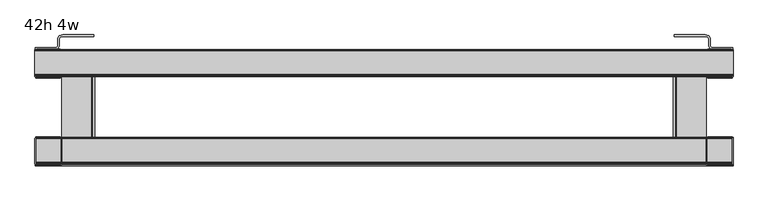
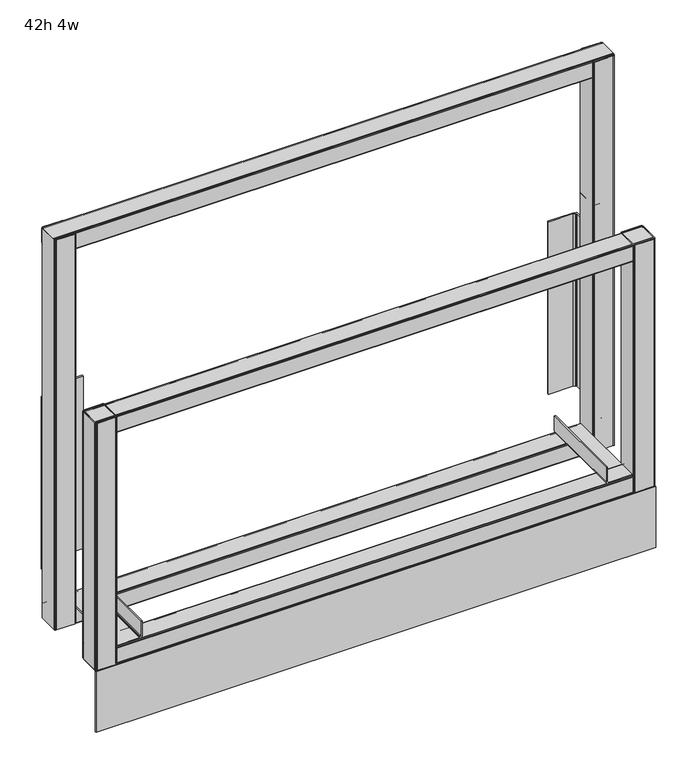
"""IFC4 building model written with IfcOpenShell, lengths in millimetres: furniture geometry, 42h 4w."""

import ifcopenshell
import ifcopenshell.guid

model = None  # the IFC model being written
_history = None  # IfcOwnerHistory: only IFC2X3 demands one
_inside = {}  # id of a spatial element -> (the spatial element, [elements in it])
_under = {}  # id of a project, library or spatial element -> (it, [spatial elements below it])
_declared = {}  # id of a project -> (the project, [libraries it declares])
_typed = {}  # id of a type object -> (the type object, [elements of that type])
_made_of = {}  # id of a material, layer set ... -> (it, [elements and type objects made of it])


def new_model(schema):
    """Start an empty IFC model of exactly this schema.

    Asked for "IFC4X3", IfcOpenShell would pick the latest addendum, in which some entities
    have other attributes; the version numbers below select the first issue.
    IFC2X3 requires an IfcOwnerHistory on every rooted entity: one is made here for all.
    """
    global model, _history
    if schema == "IFC4X3":
        model = ifcopenshell.file(schema_version=(4, 3, 0, 0))
    else:
        model = ifcopenshell.file(schema=schema)
    _inside.clear()
    _under.clear()
    _declared.clear()
    _typed.clear()
    _made_of.clear()
    _history = None
    if model.schema == "IFC2X3":
        org = make("IfcOrganization", Name="unknown")
        user = make(
            "IfcPersonAndOrganization",
            ThePerson=make("IfcPerson", FamilyName="unknown"),
            TheOrganization=org,
        )
        app = make(
            "IfcApplication",
            ApplicationDeveloper=org,
            Version="unknown",
            ApplicationFullName="unknown",
            ApplicationIdentifier="unknown",
        )
        _history = make(
            "IfcOwnerHistory",
            OwningUser=user,
            OwningApplication=app,
            ChangeAction="ADDED",
            CreationDate=0,
        )
    return model


def make(cls, **values):
    """One entity of the class cls with the attributes given. An attribute that is None is left unset."""
    return model.create_entity(
        cls, **{name: value for name, value in values.items() if value is not None}
    )


def rooted(cls, **values):
    """An entity with a GlobalId (a new one), such as an element, a storey or a relation."""
    return make(cls, GlobalId=ifcopenshell.guid.new(), OwnerHistory=_history, **values)


def si_unit(unit_type, name, prefix=None):
    """IfcSIUnit, for example si_unit("LENGTHUNIT", "METRE", prefix="MILLI")."""
    return make("IfcSIUnit", UnitType=unit_type, Prefix=prefix, Name=name)


def assignment(units):
    """IfcUnitAssignment: the units of a project."""
    return None if units is None else make("IfcUnitAssignment", Units=units)


def point(xyz):
    """IfcCartesianPoint."""
    return None if xyz is None else make("IfcCartesianPoint", Coordinates=xyz)


def direction(xyz):
    """IfcDirection."""
    return None if xyz is None else make("IfcDirection", DirectionRatios=xyz)


def frame(location, z_axis=None, x_axis=None):
    """IfcAxis2Placement3D, a coordinate frame: its origin and axes. An axis left out is left unset."""
    return make(
        "IfcAxis2Placement3D",
        Location=point(location),
        Axis=direction(z_axis),
        RefDirection=direction(x_axis),
    )


def frame_2d(location, x_axis=None):
    """IfcAxis2Placement2D, a coordinate frame in the plane: its origin and x axis."""
    return make(
        "IfcAxis2Placement2D", Location=point(location), RefDirection=direction(x_axis)
    )


def origin():
    """The frame at (0, 0, 0) with its axes left unset."""
    return frame((0.0, 0.0, 0.0))


def origin_with_axes():
    """The frame at (0, 0, 0) with the z axis (0, 0, 1) and the x axis (1, 0, 0) written out."""
    return frame((0.0, 0.0, 0.0), z_axis=(0.0, 0.0, 1.0), x_axis=(1.0, 0.0, 0.0))


def place(relative_to, where):
    """IfcLocalPlacement: puts the frame where relative to a parent placement (None: the world)."""
    return make(
        "IfcLocalPlacement", PlacementRelTo=relative_to, RelativePlacement=where
    )


def context(
    kind, dimensions, precision=None, world=None, true_north=None, identifier=None
):
    """IfcGeometricRepresentationContext, for example the 3D "Model" context."""
    return make(
        "IfcGeometricRepresentationContext",
        ContextIdentifier=identifier,
        ContextType=kind,
        CoordinateSpaceDimension=dimensions,
        Precision=precision,
        WorldCoordinateSystem=world,
        TrueNorth=true_north,
    )


def project(units=None, contexts=None):
    """IfcProject with its units and contexts."""
    return rooted(
        "IfcProject",
        Name="project",
        RepresentationContexts=contexts,
        UnitsInContext=assignment(units),
    )


def spatial(cls, under=None, at=None, **own):
    """A site, building, storey or space (cls), placed at a placement, below another one or the project."""
    s = rooted(cls, ObjectPlacement=at, **own)
    if under is not None:
        _under.setdefault(under.id(), (under, []))[1].append(s)
    return s


def polyline(points):
    """IfcPolyline through the points."""
    return make("IfcPolyline", Points=[point(p) for p in points])


def circle_curve(where, radius):
    """IfcCircle in the frame where."""
    return make("IfcCircle", Position=where, Radius=radius)


def trimmed(basis, trim1, trim2, sense, master):
    """IfcTrimmedCurve: the piece of a basis curve between two trims."""
    return make(
        "IfcTrimmedCurve",
        BasisCurve=basis,
        Trim1=trim1,
        Trim2=trim2,
        SenseAgreement=sense,
        MasterRepresentation=master,
    )


def segment(curve, same_sense, transition):
    """IfcCompositeCurveSegment."""
    return make(
        "IfcCompositeCurveSegment",
        Transition=transition,
        SameSense=same_sense,
        ParentCurve=curve,
    )


def composite_curve(segments, self_intersect=None):
    """IfcCompositeCurve: segments joined end to end."""
    return make("IfcCompositeCurve", Segments=segments, SelfIntersect=self_intersect)


def outline(outer, holes=None, kind="AREA"):
    """IfcArbitraryClosedProfileDef: a profile drawn as a closed curve; with holes, ...WithVoids."""
    if holes is None:
        return make("IfcArbitraryClosedProfileDef", ProfileType=kind, OuterCurve=outer)
    return make(
        "IfcArbitraryProfileDefWithVoids",
        ProfileType=kind,
        OuterCurve=outer,
        InnerCurves=holes,
    )


def extrude(swept, where, along, depth):
    """IfcExtrudedAreaSolid: the profile swept, set in the frame where, extruded along a direction by depth."""
    return make(
        "IfcExtrudedAreaSolid",
        SweptArea=swept,
        Position=where,
        ExtrudedDirection=direction(along),
        Depth=depth,
    )


def shape(context_of_items, identifier, shape_type, items):
    """IfcShapeRepresentation: the items that make up one representation, for example the "Body"."""
    return make(
        "IfcShapeRepresentation",
        ContextOfItems=context_of_items,
        RepresentationIdentifier=identifier,
        RepresentationType=shape_type,
        Items=items,
    )


def source(mapping_origin, context_of_items, identifier, shape_type, items):
    """IfcRepresentationMap: a shape defined once, which mapped items show again and again."""
    return make(
        "IfcRepresentationMap",
        MappingOrigin=mapping_origin,
        MappedRepresentation=shape(context_of_items, identifier, shape_type, items),
    )


def transform(
    local_origin,
    x_axis=None,
    y_axis=None,
    z_axis=None,
    scale=None,
    scale2=None,
    scale3=None,
    uniform=True,
):
    """IfcCartesianTransformationOperator3D, or its non-uniform kind. x_axis, y_axis, z_axis: its Axis1, 2, 3."""
    if uniform:
        return make(
            "IfcCartesianTransformationOperator3D",
            Axis1=direction(x_axis),
            Axis2=direction(y_axis),
            LocalOrigin=point(local_origin),
            Scale=scale,
            Axis3=direction(z_axis),
        )
    return make(
        "IfcCartesianTransformationOperator3DnonUniform",
        Axis1=direction(x_axis),
        Axis2=direction(y_axis),
        LocalOrigin=point(local_origin),
        Scale=scale,
        Axis3=direction(z_axis),
        Scale2=scale2,
        Scale3=scale3,
    )


def mapped(mapping_source, mapping_target):
    """IfcMappedItem: shows the shape of a source again, moved by a transform."""
    return make(
        "IfcMappedItem", MappingSource=mapping_source, MappingTarget=mapping_target
    )


def made_of(thing, what):
    """Note that an element or type object is made of a material, layer set ...; save() writes the relation."""
    if what is not None:
        _made_of.setdefault(what.id(), (what, []))[1].append(thing)
    return thing


def element(
    cls,
    number,
    at=None,
    inside=None,
    cuts=None,
    type_object=None,
    material=None,
    context=None,
    identifier="Body",
    shape_type=None,
    held_by="IfcProductDefinitionShape",
    body=None,
    shapes=None,
    **own,
):
    """One element of the class cls, such as IfcWall. Its Tag is "e" and its number.

    at: its placement. inside: the storey or other place that contains it. cuts: it is an
    opening in that element (IfcRelVoidsElement). A single representation is given by context,
    identifier, shape_type and body (its items); several are given by shapes. held_by: the class
    of the entity that holds the representations. save() writes the other relations.
    """
    e = rooted(cls, Tag="e%d" % number, ObjectPlacement=at, **own)
    if body is not None:
        shapes = [shape(context, identifier, shape_type, body)]
    if shapes is not None:
        e.Representation = make(held_by, Representations=shapes)
    if inside is not None:
        _inside.setdefault(inside.id(), (inside, []))[1].append(e)
    if cuts is not None:
        rooted(
            "IfcRelVoidsElement", RelatingBuildingElement=cuts, RelatedOpeningElement=e
        )
    if type_object is not None:
        _typed.setdefault(type_object.id(), (type_object, []))[1].append(e)
    return made_of(e, material)


def aggregate(whole, parts):
    """IfcRelAggregates: a whole, such as a stair, and the parts it consists of."""
    return rooted("IfcRelAggregates", RelatingObject=whole, RelatedObjects=parts)


def save(model, path):
    """Write the relations noted so far, then the file.

    IfcRelAggregates (storeys below a building ...), IfcRelContainedInSpatialStructure (elements
    in a storey), IfcRelDefinesByType, IfcRelAssociatesMaterial and IfcRelDeclares: one each for
    every whole, place, type object, material and project.
    """
    for whole, parts in _under.values():
        aggregate(whole, parts)
    for where, things in _inside.values():
        rooted(
            "IfcRelContainedInSpatialStructure",
            RelatedElements=things,
            RelatingStructure=where,
        )
    for kind, things in _typed.values():
        rooted("IfcRelDefinesByType", RelatedObjects=things, RelatingType=kind)
    for what, things in _made_of.values():
        rooted("IfcRelAssociatesMaterial", RelatedObjects=things, RelatingMaterial=what)
    for by, libraries in _declared.values():
        rooted("IfcRelDeclares", RelatingContext=by, RelatedDefinitions=libraries)
    model.write(path)


def furniture_42h_4w_3bf9d478(model_context):
    return source(origin(), model_context, "Body", "SweptSolid", [
        extrude(outline(polyline([(1219.2, -72.6720019), (1218.7727983, -74.2663388), (1217.6106677, -75.4284727), (1216.0231678, -75.8538427), (1174.8114287, -75.8538427), (1173.3629536, -75.160403), (1172.3936768, -73.8532744), (1172.1684817, -72.6788412), (1172.1684817, -27.3581035), (1173.3629536, -25.7472801), (1174.811424, -25.0538403), (1176.9408108, -25.0538403), (1216.0231679, -25.0538403), (1217.6106677, -25.4792096), (1218.7727983, -26.6413403), (1219.2, -28.2356786), (1219.2, -72.6720019)]), holes=[composite_curve([segment(polyline([(1217.2931676, -72.730636), (1217.2931676, -28.1651167)]), True, "CONTINUOUS"), segment(trimmed(circle_curve(frame_2d((1216.0868913, -28.1651167)), 1.2062764), [point((1217.2931676, -28.1651167))], [point((1216.0868913, -26.9588403))], True, "CARTESIAN"), True, "CONTINUOUS"), segment(polyline([(1216.0868913, -26.9588403), (1175.3283089, -26.9588403)]), True, "CONTINUOUS"), segment(trimmed(circle_curve(frame_2d((1175.3283089, -28.2136693)), 1.254829), [point((1175.3283089, -26.9588403))], [point((1174.0734799, -28.2136693))], True, "CARTESIAN"), True, "CONTINUOUS"), segment(polyline([(1174.0734799, -28.2136693), (1174.0734799, -72.8953775)]), True, "CONTINUOUS"), segment(trimmed(circle_curve(frame_2d((1175.1269416, -72.8953775)), 1.0534616), [point((1174.0734799, -72.8953775))], [point((1175.1269416, -73.9488391))], True, "CARTESIAN"), True, "CONTINUOUS"), segment(polyline([(1175.1269416, -73.9488391), (1216.0749644, -73.9488391)]), True, "CONTINUOUS"), segment(trimmed(circle_curve(frame_2d((1216.0749644, -72.730636)), 1.2182032), [point((1216.0749644, -73.9488391))], [point((1217.2931676, -72.730636))], True, "CARTESIAN"), True, "CONTINUOUS")], self_intersect=False)]), frame((0.0, 0.0, 142.2400006), z_axis=(0.0, 0.0, 1.0), x_axis=(1.0, 0.0, 0.0)), (0.0, 0.0, 1.0), 897.9650676),
        extrude(outline(polyline([(0.0, -72.6720025), (0.0, -28.2356792), (0.4272017, -26.6413409), (1.5893323, -25.4792102), (3.1768321, -25.0538409), (42.2591892, -25.0538401), (44.3885759, -25.0538401), (45.8370464, -25.7472799), (47.0315183, -27.3581033), (47.0315183, -72.678841), (46.8063232, -73.8532742), (45.8370464, -75.1604028), (44.3885713, -75.8538425), (3.1768322, -75.8538425), (1.5893323, -75.4284733), (0.4272017, -74.2663394), (0.0, -72.6720025)]), holes=[composite_curve([segment(trimmed(circle_curve(frame_2d((3.1250356, -72.7306366)), 1.2182032), [point((1.9068324, -72.7306366))], [point((3.1250356, -73.9488397))], True, "CARTESIAN"), True, "CONTINUOUS"), segment(polyline([(3.1250356, -73.9488397), (44.0730584, -73.9488397)]), True, "CONTINUOUS"), segment(trimmed(circle_curve(frame_2d((44.0730584, -72.8953781)), 1.0534617), [point((44.0730584, -73.9488397))], [point((45.1265201, -72.8953781))], True, "CARTESIAN"), True, "CONTINUOUS"), segment(polyline([(45.1265201, -72.8953781), (45.1265201, -28.2136691)]), True, "CONTINUOUS"), segment(trimmed(circle_curve(frame_2d((43.8716911, -28.2136691)), 1.2548289), [point((45.1265201, -28.2136691))], [point((43.8716911, -26.9588402))], True, "CARTESIAN"), True, "CONTINUOUS"), segment(polyline([(43.8716911, -26.9588402), (3.1131087, -26.9588408)]), True, "CONTINUOUS"), segment(trimmed(circle_curve(frame_2d((3.1131088, -28.1651172)), 1.2062764), [point((3.1131087, -26.9588408))], [point((1.9068324, -28.1651172))], True, "CARTESIAN"), True, "CONTINUOUS"), segment(polyline([(1.9068324, -28.1651172), (1.9068324, -72.7306366)]), True, "CONTINUOUS")], self_intersect=False)]), frame((0.0, 0.0, 142.2400006), z_axis=(0.0, 0.0, 1.0), x_axis=(1.0, 0.0, 0.0)), (0.0, 0.0, 1.0), 897.9650676),
        extrude(outline(polyline([(35.3068785, -22.0564341), (38.030962, -21.3265174), (39.14289, -20.2145909), (39.5498827, -18.695671), (39.5498827, -6.8694307), (40.3638683, -3.8315915), (42.5877242, -1.6077378), (48.5878696, 0.0), (103.0498812, 0.0), (103.0498812, -3.078529), (48.4360257, -3.078529), (44.1066449, -4.2385842), (42.994717, -5.3505099), (42.5877242, -6.8694307), (42.5877242, -18.695671), (41.7737341, -21.7335108), (39.5498827, -23.9573641), (35.457779, -25.0538403), (1.027723, -25.0538403), (1.027723, -22.0564341), (35.3068785, -22.0564341)])), frame((0.0, 0.0, 251.0568051), z_axis=(0.0, 0.0, 1.0), x_axis=(1.0, 0.0, 0.0)), (0.0, 0.0, 1.0), 397.1052306),
        extrude(outline(polyline([(1183.8931215, -22.0564341), (1218.172277, -22.0564341), (1218.172277, -25.0538403), (1183.742221, -25.0538403), (1179.6501173, -23.9573641), (1177.4262659, -21.7335108), (1176.6122758, -18.695671), (1176.6122758, -6.8694307), (1176.205283, -5.3505099), (1175.0933551, -4.2385842), (1170.7639743, -3.078529), (1116.1501188, -3.078529), (1116.1501188, 0.0), (1170.6121304, 0.0), (1176.6122758, -1.6077378), (1178.8361317, -3.8315915), (1179.6501173, -6.8694307), (1179.6501173, -18.695671), (1180.05711, -20.2145909), (1181.169038, -21.3265174), (1183.8931215, -22.0564341)])), frame((0.0, 0.0, 251.0568051), z_axis=(0.0, 0.0, 1.0), x_axis=(1.0, 0.0, 0.0)), (0.0, 0.0, 1.0), 397.1052306),
        extrude(outline(polyline([(1219.2, -72.6720019), (1218.7727983, -74.2663388), (1217.6106677, -75.4284727), (1216.0231678, -75.8538427), (1174.8114287, -75.8538427), (1173.3629536, -75.160403), (1172.3936768, -73.8532744), (1172.1684817, -72.6788412), (1172.1684817, -27.3581035), (1173.3629536, -25.7472801), (1174.811424, -25.0538403), (1176.9408108, -25.0538403), (1216.0231679, -25.0538403), (1217.6106677, -25.4792096), (1218.7727983, -26.6413403), (1219.2, -28.2356786), (1219.2, -72.6720019)]), holes=[composite_curve([segment(polyline([(1217.2931676, -72.730636), (1217.2931676, -28.1651167)]), True, "CONTINUOUS"), segment(trimmed(circle_curve(frame_2d((1216.0868913, -28.1651167)), 1.2062764), [point((1217.2931676, -28.1651167))], [point((1216.0868913, -26.9588403))], True, "CARTESIAN"), True, "CONTINUOUS"), segment(polyline([(1216.0868913, -26.9588403), (1175.3283089, -26.9588403)]), True, "CONTINUOUS"), segment(trimmed(circle_curve(frame_2d((1175.3283089, -28.2136693)), 1.254829), [point((1175.3283089, -26.9588403))], [point((1174.0734799, -28.2136693))], True, "CARTESIAN"), True, "CONTINUOUS"), segment(polyline([(1174.0734799, -28.2136693), (1174.0734799, -72.8953775)]), True, "CONTINUOUS"), segment(trimmed(circle_curve(frame_2d((1175.1269416, -72.8953775)), 1.0534616), [point((1174.0734799, -72.8953775))], [point((1175.1269416, -73.9488391))], True, "CARTESIAN"), True, "CONTINUOUS"), segment(polyline([(1175.1269416, -73.9488391), (1216.0749644, -73.9488391)]), True, "CONTINUOUS"), segment(trimmed(circle_curve(frame_2d((1216.0749644, -72.730636)), 1.2182032), [point((1216.0749644, -73.9488391))], [point((1217.2931676, -72.730636))], True, "CARTESIAN"), True, "CONTINUOUS")], self_intersect=False)]), frame((0.0, 0.0, 142.2400006), z_axis=(0.0, 0.0, 1.0), x_axis=(1.0, 0.0, 0.0)), (0.0, 0.0, 1.0), 568.9599752),
        extrude(outline(polyline([(-69.6866351, 1001.9409842), (-71.4932977, 1002.4250785), (-72.6554315, 1003.587209), (-72.8823632, 1004.4341299), (-72.8823632, 1038.7565932), (-72.1889235, 1040.2050682), (-70.8817949, 1041.174345), (-69.7049635, 1041.4), (-28.5017272, 1041.4), (-26.8902842, 1040.2050682), (-26.1968444, 1038.7565977), (-26.1968444, 1036.627211), (-26.1968444, 1005.9152882), (-26.8206514, 1003.587209), (-27.982782, 1002.4250784), (-29.7894465, 1001.9409842), (-69.6866351, 1001.9409842)]), holes=[composite_curve([segment(polyline([(-70.332356, 1003.5801491), (-29.2089019, 1003.5801491)]), True, "CONTINUOUS"), segment(trimmed(circle_curve(frame_2d((-29.2089019, 1004.7864254)), 1.2062764), [point((-29.2089019, 1003.5801491))], [point((-28.0026255, 1004.7864254))], True, "CARTESIAN"), True, "CONTINUOUS"), segment(polyline([(-28.0026255, 1004.7864254), (-28.0026255, 1038.1404943)]), True, "CONTINUOUS"), segment(trimmed(circle_curve(frame_2d((-29.2574544, 1038.1404943)), 1.2548289), [point((-28.0026255, 1038.1404943))], [point((-29.2574544, 1039.3953232))], True, "CARTESIAN"), True, "CONTINUOUS"), segment(polyline([(-29.2574544, 1039.3953232), (-70.2691988, 1039.3953232)]), True, "CONTINUOUS"), segment(trimmed(circle_curve(frame_2d((-70.2691988, 1038.5383334)), 0.8569898), [point((-70.2691988, 1039.3953232))], [point((-71.1261886, 1038.5383334))], True, "CARTESIAN"), True, "CONTINUOUS"), segment(polyline([(-71.1261886, 1038.5383334), (-71.1261886, 1037.4730464), (-71.1261886, 1004.3739817)]), True, "CONTINUOUS"), segment(trimmed(circle_curve(frame_2d((-70.332356, 1004.3739817)), 0.7938326), [point((-71.1261886, 1004.3739817))], [point((-70.332356, 1003.5801491))], True, "CARTESIAN"), True, "CONTINUOUS")], self_intersect=False)]), frame((0.0, 0.0, 0.0), z_axis=(1.0, 0.0, 0.0), x_axis=(0.0, 1.0, 0.0)), (0.0, 0.0, 1.0), 1219.2),
        extrude(outline(polyline([(217.1649967, 1114.7758798), (183.3880068, 1114.7758798), (180.2764961, 1115.6096043), (177.9987282, 1117.8873722), (177.1650036, 1120.9988647), (177.1650036, 1172.1782739), (180.2130007, 1172.1782739), (180.2130007, 1120.9988647), (180.6383745, 1119.4113708), (181.8004947, 1118.2492506), (183.3880068, 1117.8238768), (217.1649967, 1117.8238768), (217.1649967, 1114.7758798)])), frame((0.0, -223.0555224, 0.0), z_axis=(0.0, 1.0, 0.0), x_axis=(0.0, 0.0, 1.0)), (0.0, 0.0, 1.0), 194.5544148),
        extrude(outline(polyline([(217.1649967, 104.4241202), (217.1649967, 101.3761232), (183.3880068, 101.3761232), (181.8004947, 100.9507494), (180.6383745, 99.7886292), (180.2130007, 98.2011353), (180.2130007, 47.0315183), (177.1650036, 47.0315183), (177.1650036, 98.2011353), (177.9987282, 101.3126278), (180.2764961, 103.5903957), (183.3880068, 104.4241202), (217.1649967, 104.4241202)])), frame((0.0, -223.0555224, 0.0), z_axis=(0.0, 1.0, 0.0), x_axis=(0.0, 0.0, 1.0)), (0.0, 0.0, 1.0), 194.5537952),
        extrude(outline(polyline([(1219.2, -229.202005), (0.762, -229.202005), (0.762, -227.1700069), (1219.2, -227.1700069), (1219.2, -229.202005)])), origin_with_axes(), (0.0, 0.0, 1.0), 139.700003),
        extrude(outline(polyline([(1219.2, -226.020165), (1218.7727983, -227.6145019), (1217.6106677, -228.7766357), (1216.0231678, -229.202005), (1174.8114287, -229.202005), (1173.3629536, -228.5085653), (1172.3936768, -227.2014367), (1172.1684817, -226.0270034), (1172.1684817, -180.7062658), (1173.3629536, -179.0954424), (1174.8114242, -178.4020034), (1176.9408108, -178.4020034), (1216.0231679, -178.4020034), (1217.6106677, -178.8273727), (1218.7727983, -179.9895033), (1219.2, -181.5838417), (1219.2, -226.020165)]), holes=[composite_curve([segment(polyline([(1217.2931676, -226.078799), (1217.2931676, -181.5132797)]), True, "CONTINUOUS"), segment(trimmed(circle_curve(frame_2d((1216.0868912, -181.5132797)), 1.2062764), [point((1217.2931676, -181.5132797))], [point((1216.0868912, -180.3070033))], True, "CARTESIAN"), True, "CONTINUOUS"), segment(polyline([(1216.0868912, -180.3070033), (1175.3283089, -180.3070026)]), True, "CONTINUOUS"), segment(trimmed(circle_curve(frame_2d((1175.3283089, -181.5618316)), 1.2548289), [point((1175.3283089, -180.3070026))], [point((1174.07348, -181.5618316))], True, "CARTESIAN"), True, "CONTINUOUS"), segment(polyline([(1174.07348, -181.5618316), (1174.07348, -226.2435406)]), True, "CONTINUOUS"), segment(trimmed(circle_curve(frame_2d((1175.1269416, -226.2435406)), 1.0534615), [point((1174.07348, -226.2435406))], [point((1175.1269416, -227.2970021))], True, "CARTESIAN"), True, "CONTINUOUS"), segment(polyline([(1175.1269416, -227.2970021), (1216.0749644, -227.2970021)]), True, "CONTINUOUS"), segment(trimmed(circle_curve(frame_2d((1216.0749644, -226.078799)), 1.2182032), [point((1216.0749644, -227.2970021))], [point((1217.2931676, -226.078799))], True, "CARTESIAN"), True, "CONTINUOUS")], self_intersect=False)]), frame((0.0, 0.0, 142.2400006), z_axis=(0.0, 0.0, 1.0), x_axis=(1.0, 0.0, 0.0)), (0.0, 0.0, 1.0), 569.0435446),
        extrude(outline(polyline([(0.0, -226.020165), (0.0, -181.5838417), (0.4272017, -179.9895033), (1.5893323, -178.8273727), (3.1768321, -178.4020034), (42.2591892, -178.4020026), (44.3885759, -178.4020026), (45.8370464, -179.0954424), (47.0315183, -180.7062658), (47.0315183, -226.0270034), (46.8063232, -227.2014367), (45.8370464, -228.5085653), (44.3885713, -229.202005), (3.1768322, -229.202005), (1.5893323, -228.7766357), (0.4272017, -227.6145019), (0.0, -226.020165)]), holes=[composite_curve([segment(trimmed(circle_curve(frame_2d((3.1250356, -226.078799)), 1.2182032), [point((1.9068324, -226.078799))], [point((3.1250356, -227.2970022))], True, "CARTESIAN"), True, "CONTINUOUS"), segment(polyline([(3.1250356, -227.2970022), (44.0730584, -227.2970022)]), True, "CONTINUOUS"), segment(trimmed(circle_curve(frame_2d((44.0730584, -226.2435405)), 1.0534617), [point((44.0730584, -227.2970022))], [point((45.1265201, -226.2435405))], True, "CARTESIAN"), True, "CONTINUOUS"), segment(polyline([(45.1265201, -226.2435405), (45.1265201, -181.5618316)]), True, "CONTINUOUS"), segment(trimmed(circle_curve(frame_2d((43.8716912, -181.5618316)), 1.2548289), [point((45.1265201, -181.5618316))], [point((43.8716911, -180.3070027))], True, "CARTESIAN"), True, "CONTINUOUS"), segment(polyline([(43.8716911, -180.3070027), (3.1131088, -180.3070033)]), True, "CONTINUOUS"), segment(trimmed(circle_curve(frame_2d((3.1131088, -181.5132797)), 1.2062764), [point((3.1131088, -180.3070033))], [point((1.9068324, -181.5132797))], True, "CARTESIAN"), True, "CONTINUOUS"), segment(polyline([(1.9068324, -181.5132797), (1.9068324, -226.078799)]), True, "CONTINUOUS")], self_intersect=False)]), frame((0.0, 0.0, 142.2400006), z_axis=(0.0, 0.0, 1.0), x_axis=(1.0, 0.0, 0.0)), (0.0, 0.0, 1.0), 569.0435446),
        extrude(outline(polyline([(-223.0347979, 139.2159088), (-224.8414605, 139.700003), (-226.0035943, 140.8621336), (-226.230526, 141.7090545), (-226.230526, 176.0315177), (-225.5370863, 177.4799928), (-224.2299577, 178.4492695), (-223.0555224, 178.6744651), (-181.8492701, 178.6744693), (-180.2384467, 177.4799928), (-179.5450075, 176.0315223), (-179.5450075, 173.9021356), (-179.5450075, 143.1902128), (-180.1688145, 140.8621336), (-181.3309451, 139.700003), (-183.1376095, 139.2159088), (-223.0347979, 139.2159088)]), holes=[composite_curve([segment(polyline([(-223.6805188, 140.8550736), (-182.557065, 140.8550736)]), True, "CONTINUOUS"), segment(trimmed(circle_curve(frame_2d((-182.557065, 142.06135)), 1.2062764), [point((-182.557065, 140.8550736))], [point((-181.3507886, 142.06135))], True, "CARTESIAN"), True, "CONTINUOUS"), segment(polyline([(-181.3507886, 142.06135), (-181.3507886, 175.4154189)]), True, "CONTINUOUS"), segment(trimmed(circle_curve(frame_2d((-182.6056175, 175.4154189)), 1.2548289), [point((-181.3507886, 175.4154189))], [point((-182.6056175, 176.6702478))], True, "CARTESIAN"), True, "CONTINUOUS"), segment(polyline([(-182.6056175, 176.6702478), (-223.6173616, 176.6702478)]), True, "CONTINUOUS"), segment(trimmed(circle_curve(frame_2d((-223.6173616, 175.813258)), 0.8569898), [point((-223.6173616, 176.6702478))], [point((-224.4743514, 175.813258))], True, "CARTESIAN"), True, "CONTINUOUS"), segment(polyline([(-224.4743514, 175.813258), (-224.4743514, 174.747971), (-224.4743514, 141.6489063)]), True, "CONTINUOUS"), segment(trimmed(circle_curve(frame_2d((-223.6805188, 141.6489063)), 0.7938326), [point((-224.4743514, 141.6489063))], [point((-223.6805188, 140.8550736))], True, "CARTESIAN"), True, "CONTINUOUS")], self_intersect=False)]), frame((1.9068324, 0.0, 0.0), z_axis=(1.0, 0.0, 0.0), x_axis=(0.0, 1.0, 0.0)), (0.0, 0.0, 1.0), 1217.2931676),
        extrude(outline(polyline([(-69.6866351, 139.2159088), (-71.4932977, 139.700003), (-72.6554315, 140.8621336), (-72.8823632, 141.7090545), (-72.8823632, 176.0315177), (-72.1889235, 177.4799928), (-70.8817949, 178.4492695), (-69.7073595, 178.6744651), (-28.5011076, 178.6744693), (-26.8902842, 177.4799928), (-26.1968444, 176.0315223), (-26.1968444, 173.9021356), (-26.1968444, 143.1902128), (-26.8206514, 140.8621336), (-27.982782, 139.700003), (-29.7894465, 139.2159088), (-69.6866351, 139.2159088)]), holes=[composite_curve([segment(polyline([(-70.332356, 140.8550736), (-29.2089019, 140.8550736)]), True, "CONTINUOUS"), segment(trimmed(circle_curve(frame_2d((-29.2089019, 142.06135)), 1.2062764), [point((-29.2089019, 140.8550736))], [point((-28.0026255, 142.06135))], True, "CARTESIAN"), True, "CONTINUOUS"), segment(polyline([(-28.0026255, 142.06135), (-28.0026255, 175.4154189)]), True, "CONTINUOUS"), segment(trimmed(circle_curve(frame_2d((-29.2574544, 175.4154189)), 1.2548289), [point((-28.0026255, 175.4154189))], [point((-29.2574544, 176.6702478))], True, "CARTESIAN"), True, "CONTINUOUS"), segment(polyline([(-29.2574544, 176.6702478), (-70.2691988, 176.6702478)]), True, "CONTINUOUS"), segment(trimmed(circle_curve(frame_2d((-70.2691988, 175.813258)), 0.8569898), [point((-70.2691988, 176.6702478))], [point((-71.1261886, 175.813258))], True, "CARTESIAN"), True, "CONTINUOUS"), segment(polyline([(-71.1261886, 175.813258), (-71.1261886, 174.747971), (-71.1261886, 141.6489063)]), True, "CONTINUOUS"), segment(trimmed(circle_curve(frame_2d((-70.332356, 141.6489063)), 0.7938326), [point((-71.1261886, 141.6489063))], [point((-70.332356, 140.8550736))], True, "CARTESIAN"), True, "CONTINUOUS")], self_intersect=False)]), frame((1.9068324, 0.0, 0.0), z_axis=(1.0, 0.0, 0.0), x_axis=(0.0, 1.0, 0.0)), (0.0, 0.0, 1.0), 1217.2931676),
        extrude(outline(polyline([(-223.0347979, 671.8249791), (-224.8414605, 672.3090734), (-226.0035943, 673.4712039), (-226.230526, 674.3181248), (-226.230526, 708.6405881), (-225.5370863, 710.0890631), (-224.2299577, 711.0583399), (-223.0532062, 711.2839796), (-181.849869, 711.2839796), (-180.2384467, 710.0890631), (-179.5450069, 708.6405927), (-179.5450069, 706.511206), (-179.5450069, 675.7992832), (-180.1688139, 673.4712039), (-181.3309445, 672.3090734), (-183.1376089, 671.8249791), (-223.0347979, 671.8249791)]), holes=[composite_curve([segment(polyline([(-223.6805188, 673.464144), (-182.5570644, 673.464144)]), True, "CONTINUOUS"), segment(trimmed(circle_curve(frame_2d((-182.5570644, 674.6704204)), 1.2062764), [point((-182.5570644, 673.464144))], [point((-181.350788, 674.6704204))], True, "CARTESIAN"), True, "CONTINUOUS"), segment(polyline([(-181.350788, 674.6704204), (-181.350788, 708.0244893)]), True, "CONTINUOUS"), segment(trimmed(circle_curve(frame_2d((-182.6056169, 708.0244893)), 1.2548289), [point((-181.350788, 708.0244893))], [point((-182.6056169, 709.2793182))], True, "CARTESIAN"), True, "CONTINUOUS"), segment(polyline([(-182.6056169, 709.2793182), (-223.6173616, 709.2793182)]), True, "CONTINUOUS"), segment(trimmed(circle_curve(frame_2d((-223.6173616, 708.4223284)), 0.8569898), [point((-223.6173616, 709.2793182))], [point((-224.4743514, 708.4223284))], True, "CARTESIAN"), True, "CONTINUOUS"), segment(polyline([(-224.4743514, 708.4223284), (-224.4743514, 707.3570413), (-224.4743514, 674.2579766)]), True, "CONTINUOUS"), segment(trimmed(circle_curve(frame_2d((-223.6805188, 674.2579766)), 0.7938326), [point((-224.4743514, 674.2579766))], [point((-223.6805188, 673.464144))], True, "CARTESIAN"), True, "CONTINUOUS")], self_intersect=False)]), frame((1.9068324, 0.0, 0.0), z_axis=(1.0, 0.0, 0.0), x_axis=(0.0, 1.0, 0.0)), (0.0, 0.0, 1.0), 1217.2931676),
    ])


if __name__ == "__main__":
    model = new_model("IFC4")
    model_context = context("Model", 3, world=origin())
    ifc_project = project(units=[si_unit("LENGTHUNIT", "METRE", prefix="MILLI")], contexts=[model_context])
    site = spatial("IfcSite", under=ifc_project)
    building = spatial("IfcBuilding", under=site)
    placement = place(None, origin())
    furniture_42h_4w_shape = furniture_42h_4w_3bf9d478(model_context)
    element("IfcFurniture", 1, ObjectType="42h 4w", at=placement, inside=building, context=model_context, shape_type="MappedRepresentation", body=[
        mapped(furniture_42h_4w_shape, transform((0.0, 0.0, 0.0), x_axis=(1.0, 0.0, 0.0), y_axis=(0.0, 1.0, 0.0), z_axis=(0.0, 0.0, 1.0))),
    ])
    save(model, "model.ifc")
